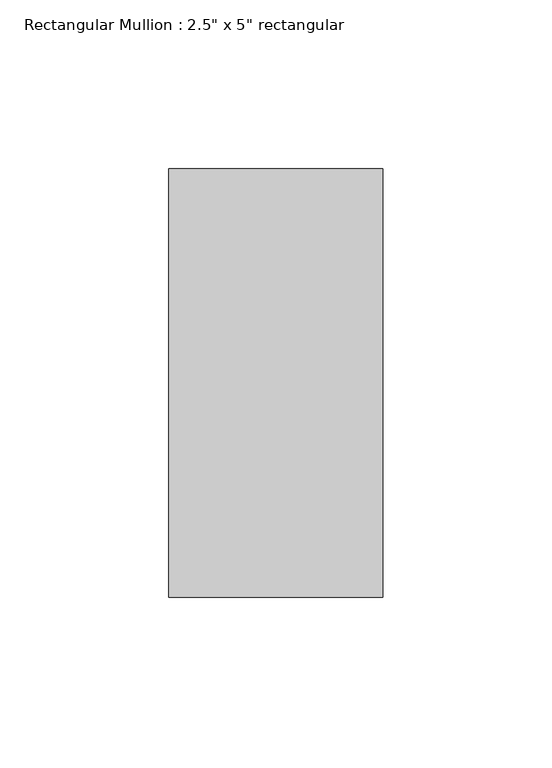
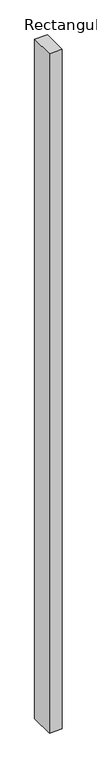
"""IFC4 building model written with IfcOpenShell, lengths in millimetres: member geometry."""

from ifc_helpers import new_model, si_unit, frame, origin, place, context, project, spatial, polyline, outline, extrude, source, transform, mapped, element, save


def member_e5dd200a(model_context):
    return source(origin(), model_context, "Body", "SweptSolid", [
        extrude(outline(polyline([(31.75, 63.5), (31.75, -63.5), (-31.75, -63.5), (-31.75, 63.5), (31.75, 63.5)])), frame((0.0, 0.0, -3594.1), z_axis=(0.0, 0.0, 1.0), x_axis=(1.0, 0.0, 0.0)), (0.0, 0.0, 1.0), 3594.1),
    ])


if __name__ == "__main__":
    model = new_model("IFC4")
    model_context = context("Model", 3, world=origin())
    ifc_project = project(units=[si_unit("LENGTHUNIT", "METRE", prefix="MILLI")], contexts=[model_context])
    site = spatial("IfcSite", under=ifc_project)
    building = spatial("IfcBuilding", under=site)
    placement = place(None, origin())
    member_shape = member_e5dd200a(model_context)
    element("IfcMember", 1, ObjectType="Rectangular Mullion : 2.5\" x 5\" rectangular", at=placement, inside=building, context=model_context, shape_type="MappedRepresentation", body=[
        mapped(member_shape, transform((0.0, 0.0, 0.0), x_axis=(1.0, 0.0, 0.0), y_axis=(0.0, 1.0, 0.0), z_axis=(0.0, 0.0, 1.0))),
    ])
    save(model, "model.ifc")
